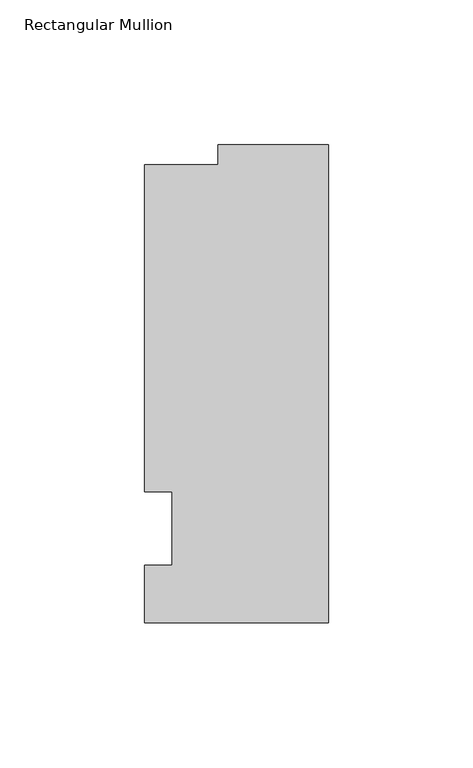
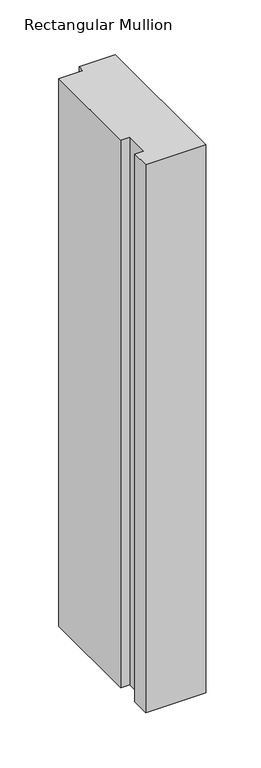
"""IFC4 building model written with IfcOpenShell, lengths in millimetres: member geometry, Rectangular Mullion."""

import ifcopenshell
import ifcopenshell.guid

model = None  # the IFC model being written
_history = None  # IfcOwnerHistory: only IFC2X3 demands one
_inside = {}  # id of a spatial element -> (the spatial element, [elements in it])
_under = {}  # id of a project, library or spatial element -> (it, [spatial elements below it])
_declared = {}  # id of a project -> (the project, [libraries it declares])
_typed = {}  # id of a type object -> (the type object, [elements of that type])
_made_of = {}  # id of a material, layer set ... -> (it, [elements and type objects made of it])


def new_model(schema):
    """Start an empty IFC model of exactly this schema.

    Asked for "IFC4X3", IfcOpenShell would pick the latest addendum, in which some entities
    have other attributes; the version numbers below select the first issue.
    IFC2X3 requires an IfcOwnerHistory on every rooted entity: one is made here for all.
    """
    global model, _history
    if schema == "IFC4X3":
        model = ifcopenshell.file(schema_version=(4, 3, 0, 0))
    else:
        model = ifcopenshell.file(schema=schema)
    _inside.clear()
    _under.clear()
    _declared.clear()
    _typed.clear()
    _made_of.clear()
    _history = None
    if model.schema == "IFC2X3":
        org = make("IfcOrganization", Name="unknown")
        user = make(
            "IfcPersonAndOrganization",
            ThePerson=make("IfcPerson", FamilyName="unknown"),
            TheOrganization=org,
        )
        app = make(
            "IfcApplication",
            ApplicationDeveloper=org,
            Version="unknown",
            ApplicationFullName="unknown",
            ApplicationIdentifier="unknown",
        )
        _history = make(
            "IfcOwnerHistory",
            OwningUser=user,
            OwningApplication=app,
            ChangeAction="ADDED",
            CreationDate=0,
        )
    return model


def make(cls, **values):
    """One entity of the class cls with the attributes given. An attribute that is None is left unset."""
    return model.create_entity(
        cls, **{name: value for name, value in values.items() if value is not None}
    )


def rooted(cls, **values):
    """An entity with a GlobalId (a new one), such as an element, a storey or a relation."""
    return make(cls, GlobalId=ifcopenshell.guid.new(), OwnerHistory=_history, **values)


def si_unit(unit_type, name, prefix=None):
    """IfcSIUnit, for example si_unit("LENGTHUNIT", "METRE", prefix="MILLI")."""
    return make("IfcSIUnit", UnitType=unit_type, Prefix=prefix, Name=name)


def assignment(units):
    """IfcUnitAssignment: the units of a project."""
    return None if units is None else make("IfcUnitAssignment", Units=units)


def point(xyz):
    """IfcCartesianPoint."""
    return None if xyz is None else make("IfcCartesianPoint", Coordinates=xyz)


def direction(xyz):
    """IfcDirection."""
    return None if xyz is None else make("IfcDirection", DirectionRatios=xyz)


def frame(location, z_axis=None, x_axis=None):
    """IfcAxis2Placement3D, a coordinate frame: its origin and axes. An axis left out is left unset."""
    return make(
        "IfcAxis2Placement3D",
        Location=point(location),
        Axis=direction(z_axis),
        RefDirection=direction(x_axis),
    )


def origin():
    """The frame at (0, 0, 0) with its axes left unset."""
    return frame((0.0, 0.0, 0.0))


def place(relative_to, where):
    """IfcLocalPlacement: puts the frame where relative to a parent placement (None: the world)."""
    return make(
        "IfcLocalPlacement", PlacementRelTo=relative_to, RelativePlacement=where
    )


def context(
    kind, dimensions, precision=None, world=None, true_north=None, identifier=None
):
    """IfcGeometricRepresentationContext, for example the 3D "Model" context."""
    return make(
        "IfcGeometricRepresentationContext",
        ContextIdentifier=identifier,
        ContextType=kind,
        CoordinateSpaceDimension=dimensions,
        Precision=precision,
        WorldCoordinateSystem=world,
        TrueNorth=true_north,
    )


def project(units=None, contexts=None):
    """IfcProject with its units and contexts."""
    return rooted(
        "IfcProject",
        Name="project",
        RepresentationContexts=contexts,
        UnitsInContext=assignment(units),
    )


def spatial(cls, under=None, at=None, **own):
    """A site, building, storey or space (cls), placed at a placement, below another one or the project."""
    s = rooted(cls, ObjectPlacement=at, **own)
    if under is not None:
        _under.setdefault(under.id(), (under, []))[1].append(s)
    return s


def polyline(points):
    """IfcPolyline through the points."""
    return make("IfcPolyline", Points=[point(p) for p in points])


def outline(outer, holes=None, kind="AREA"):
    """IfcArbitraryClosedProfileDef: a profile drawn as a closed curve; with holes, ...WithVoids."""
    if holes is None:
        return make("IfcArbitraryClosedProfileDef", ProfileType=kind, OuterCurve=outer)
    return make(
        "IfcArbitraryProfileDefWithVoids",
        ProfileType=kind,
        OuterCurve=outer,
        InnerCurves=holes,
    )


def extrude(swept, where, along, depth):
    """IfcExtrudedAreaSolid: the profile swept, set in the frame where, extruded along a direction by depth."""
    return make(
        "IfcExtrudedAreaSolid",
        SweptArea=swept,
        Position=where,
        ExtrudedDirection=direction(along),
        Depth=depth,
    )


def shape(context_of_items, identifier, shape_type, items):
    """IfcShapeRepresentation: the items that make up one representation, for example the "Body"."""
    return make(
        "IfcShapeRepresentation",
        ContextOfItems=context_of_items,
        RepresentationIdentifier=identifier,
        RepresentationType=shape_type,
        Items=items,
    )


def source(mapping_origin, context_of_items, identifier, shape_type, items):
    """IfcRepresentationMap: a shape defined once, which mapped items show again and again."""
    return make(
        "IfcRepresentationMap",
        MappingOrigin=mapping_origin,
        MappedRepresentation=shape(context_of_items, identifier, shape_type, items),
    )


def transform(
    local_origin,
    x_axis=None,
    y_axis=None,
    z_axis=None,
    scale=None,
    scale2=None,
    scale3=None,
    uniform=True,
):
    """IfcCartesianTransformationOperator3D, or its non-uniform kind. x_axis, y_axis, z_axis: its Axis1, 2, 3."""
    if uniform:
        return make(
            "IfcCartesianTransformationOperator3D",
            Axis1=direction(x_axis),
            Axis2=direction(y_axis),
            LocalOrigin=point(local_origin),
            Scale=scale,
            Axis3=direction(z_axis),
        )
    return make(
        "IfcCartesianTransformationOperator3DnonUniform",
        Axis1=direction(x_axis),
        Axis2=direction(y_axis),
        LocalOrigin=point(local_origin),
        Scale=scale,
        Axis3=direction(z_axis),
        Scale2=scale2,
        Scale3=scale3,
    )


def mapped(mapping_source, mapping_target):
    """IfcMappedItem: shows the shape of a source again, moved by a transform."""
    return make(
        "IfcMappedItem", MappingSource=mapping_source, MappingTarget=mapping_target
    )


def made_of(thing, what):
    """Note that an element or type object is made of a material, layer set ...; save() writes the relation."""
    if what is not None:
        _made_of.setdefault(what.id(), (what, []))[1].append(thing)
    return thing


def element(
    cls,
    number,
    at=None,
    inside=None,
    cuts=None,
    type_object=None,
    material=None,
    context=None,
    identifier="Body",
    shape_type=None,
    held_by="IfcProductDefinitionShape",
    body=None,
    shapes=None,
    **own,
):
    """One element of the class cls, such as IfcWall. Its Tag is "e" and its number.

    at: its placement. inside: the storey or other place that contains it. cuts: it is an
    opening in that element (IfcRelVoidsElement). A single representation is given by context,
    identifier, shape_type and body (its items); several are given by shapes. held_by: the class
    of the entity that holds the representations. save() writes the other relations.
    """
    e = rooted(cls, Tag="e%d" % number, ObjectPlacement=at, **own)
    if body is not None:
        shapes = [shape(context, identifier, shape_type, body)]
    if shapes is not None:
        e.Representation = make(held_by, Representations=shapes)
    if inside is not None:
        _inside.setdefault(inside.id(), (inside, []))[1].append(e)
    if cuts is not None:
        rooted(
            "IfcRelVoidsElement", RelatingBuildingElement=cuts, RelatedOpeningElement=e
        )
    if type_object is not None:
        _typed.setdefault(type_object.id(), (type_object, []))[1].append(e)
    return made_of(e, material)


def aggregate(whole, parts):
    """IfcRelAggregates: a whole, such as a stair, and the parts it consists of."""
    return rooted("IfcRelAggregates", RelatingObject=whole, RelatedObjects=parts)


def save(model, path):
    """Write the relations noted so far, then the file.

    IfcRelAggregates (storeys below a building ...), IfcRelContainedInSpatialStructure (elements
    in a storey), IfcRelDefinesByType, IfcRelAssociatesMaterial and IfcRelDeclares: one each for
    every whole, place, type object, material and project.
    """
    for whole, parts in _under.values():
        aggregate(whole, parts)
    for where, things in _inside.values():
        rooted(
            "IfcRelContainedInSpatialStructure",
            RelatedElements=things,
            RelatingStructure=where,
        )
    for kind, things in _typed.values():
        rooted("IfcRelDefinesByType", RelatedObjects=things, RelatingType=kind)
    for what, things in _made_of.values():
        rooted("IfcRelAssociatesMaterial", RelatedObjects=things, RelatingMaterial=what)
    for by, libraries in _declared.values():
        rooted("IfcRelDeclares", RelatingContext=by, RelatedDefinitions=libraries)
    model.write(path)


def rectangular_mullion_983147bb(model_context):
    return source(origin(), model_context, "Body", "SweptSolid", [
        extrude(outline(polyline([(-63.5, -32.54375), (-63.5, -12.7), (-53.975, -12.7), (-53.975, 12.7), (-63.5, 12.7), (-63.5, 125.59665), (-38.1, 125.59665), (-38.1, 132.55625), (0.0, 132.55625), (0.0, -32.54375), (-63.5, -32.54375)])), frame((0.0, 0.0, -609.6), z_axis=(0.0, 0.0, 1.0), x_axis=(1.0, 0.0, 0.0)), (0.0, 0.0, 1.0), 609.6),
    ])


if __name__ == "__main__":
    model = new_model("IFC4")
    model_context = context("Model", 3, world=origin())
    ifc_project = project(units=[si_unit("LENGTHUNIT", "METRE", prefix="MILLI")], contexts=[model_context])
    site = spatial("IfcSite", under=ifc_project)
    building = spatial("IfcBuilding", under=site)
    placement = place(None, origin())
    rectangular_mullion_shape = rectangular_mullion_983147bb(model_context)
    element("IfcMember", 1, ObjectType="Rectangular Mullion", at=placement, inside=building, context=model_context, shape_type="MappedRepresentation", body=[
        mapped(rectangular_mullion_shape, transform((0.0, 0.0, 0.0), x_axis=(1.0, 0.0, 0.0), y_axis=(0.0, 1.0, 0.0), z_axis=(0.0, 0.0, 1.0))),
    ])
    save(model, "model.ifc")
